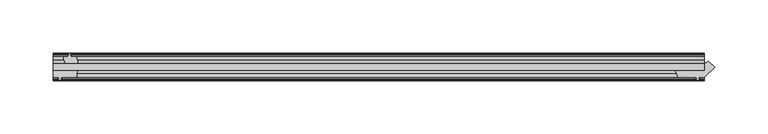
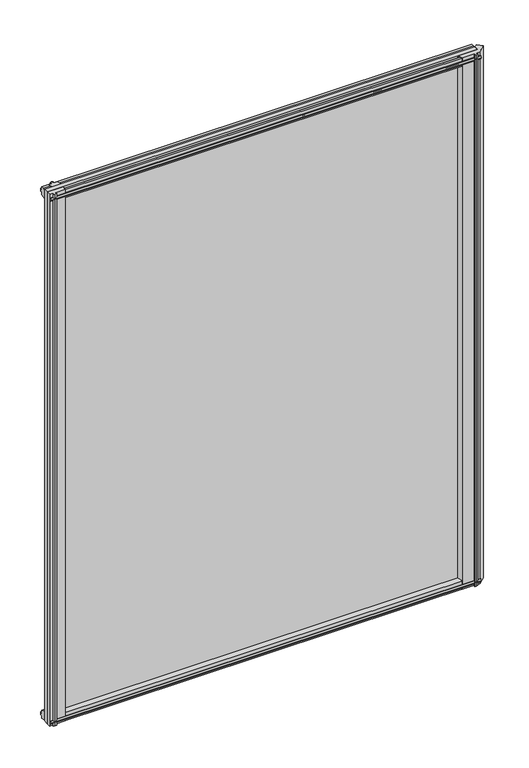
"""IFC4 building model written with IfcOpenShell, lengths in millimetres: plate geometry."""

from ifc_helpers import new_model, si_unit, point, frame, frame_2d, origin, place, context, project, spatial, polyline, circle_curve, trimmed, segment, composite_curve, outline, extrude, source, transform, mapped, element, save


def plate_f19c2fef(model_context):
    return source(origin(), model_context, "Body", "SweptSolid", [
        extrude(outline(polyline([(-311.15, -19.5460937), (301.7242188, -19.5460937), (301.7242188, -25.8960937), (-311.15, -25.8960937), (-311.15, -19.5460937)])), frame((0.0, 0.0, -12.7), z_axis=(0.0, 0.0, 1.0), x_axis=(1.0, 0.0, 0.0)), (0.0, 0.0, 1.0), 800.1),
        extrude(outline(composite_curve([segment(trimmed(circle_curve(frame_2d((299.1576023, -10.7286961)), 9.1800971), [point((301.7125348, -19.5460938))], [point((305.6489112, -17.2200049))], True, "CARTESIAN"), True, "CONTINUOUS"), segment(polyline([(305.6489112, -17.2200049), (311.6947439, -23.2658376), (301.7125348, -32.2460938), (296.6325348, -32.2460938), (296.3150348, -34.3506957), (297.5336406, -34.0241712), (297.7374348, -34.7847412), (295.3625348, -35.4210938), (292.9876348, -34.7847412), (293.1914289, -34.0241712), (294.4100348, -34.3506957), (294.0925348, -32.2460938), (276.6935348, -32.2460937)]), True, "CONTINUOUS"), segment(trimmed(circle_curve(frame_2d((268.8651173, -32.4967335)), 7.8324288), [point((276.6935348, -32.2460937))], [point((273.0815726, -25.8960938))], True, "CARTESIAN"), True, "CONTINUOUS"), segment(polyline([(273.0815726, -25.8960938), (301.7125348, -25.8960938), (301.7125348, -19.5460938)]), True, "CONTINUOUS")], self_intersect=False)), frame((0.0, 0.0, -12.7), z_axis=(0.0, 0.0, 1.0), x_axis=(1.0, 0.0, 0.0)), (0.0, 0.0, 1.0), 800.1),
        extrude(outline(composite_curve([segment(polyline([(-311.1542854, -32.2460937), (-311.1542854, -25.8960937), (-287.8322351, -25.8960937)]), True, "CONTINUOUS"), segment(trimmed(circle_curve(frame_2d((-280.043449, -30.5054843)), 9.0505066), [point((-287.8322351, -25.8960937))], [point((-288.925, -32.2460937))], True, "CARTESIAN"), True, "CONTINUOUS"), segment(polyline([(-288.925, -32.2460937), (-303.5342854, -32.2460937), (-303.8517854, -34.3506957), (-302.6331795, -34.0241712), (-302.4293854, -34.7847412), (-304.8042854, -35.4210937), (-307.1791854, -34.7847412), (-306.9753913, -34.0241712), (-305.7567854, -34.3506957), (-306.0742854, -32.2460937), (-311.1542854, -32.2460937)]), True, "CONTINUOUS")], self_intersect=False)), frame((0.0, 0.0, -12.7), z_axis=(0.0, 0.0, 1.0), x_axis=(1.0, 0.0, 0.0)), (0.0, 0.0, 1.0), 800.1),
        extrude(outline(polyline([(-296.5577, -10.8158968), (-297.973229, -11.27583), (-297.973229, -10.4746158), (-295.7957, -9.7670937), (-293.6181709, -10.4746158), (-293.6181709, -11.27583), (-295.0337, -10.8158968), (-294.6527, -13.1960937), (-289.4457, -13.1960937), (-287.3404229, -19.5460937), (-299.1710038, -19.5460937), (-301.3837, -16.1424937), (-301.3837, -13.1960937), (-296.9387, -13.1960937), (-296.5577, -10.8158968)])), frame((0.0, 0.0, -12.7), z_axis=(0.0, 0.0, 1.0), x_axis=(1.0, 0.0, 0.0)), (0.0, 0.0, 1.0), 800.1),
        extrude(outline(polyline([(-13.1960937, 787.1587), (-13.1960937, 782.7137), (-10.8158968, 782.3327), (-11.27583, 783.7482291), (-10.4746158, 783.7482291), (-9.7670937, 781.5707), (-10.4746158, 779.393171), (-11.27583, 779.393171), (-10.8158968, 780.8087), (-13.1960937, 780.4277), (-13.1960937, 775.2207), (-19.5460937, 773.115423), (-19.5460937, 784.9460038), (-16.1424937, 787.1587), (-13.1960937, 787.1587)])), frame((-311.15, 0.0, 0.0), z_axis=(1.0, 0.0, 0.0), x_axis=(0.0, 1.0, 0.0)), (0.0, 0.0, 1.0), 612.8742188),
        extrude(outline(polyline([(-29.2996937, 786.638), (-25.8960937, 784.4253038), (-25.8960937, 772.594723), (-32.2460937, 774.7), (-32.2460937, 779.907), (-34.6262907, 780.288), (-34.1663575, 778.872471), (-34.9675717, 778.872471), (-35.6750937, 781.05), (-34.9675717, 783.2275291), (-34.1663575, 783.2275291), (-34.6262907, 781.812), (-32.2460937, 782.193), (-32.2460937, 786.638), (-29.2996937, 786.638)])), frame((-311.15, 0.0, 0.0), z_axis=(1.0, 0.0, 0.0), x_axis=(0.0, 1.0, 0.0)), (0.0, 0.0, 1.0), 612.8742188),
        extrude(outline(polyline([(-25.8960937, 2.1052771), (-25.8960937, -9.7253038), (-29.2996937, -11.938), (-32.2460937, -11.938), (-32.2460937, -7.493), (-34.6262907, -7.112), (-34.1663575, -8.5275291), (-34.9675717, -8.5275291), (-35.6750937, -6.35), (-34.9675717, -4.1724709), (-34.1663575, -4.1724709), (-34.6262907, -5.588), (-32.2460937, -5.207), (-32.2460937, 0.0), (-25.8960937, 2.1052771)])), frame((-311.15, 0.0, 0.0), z_axis=(1.0, 0.0, 0.0), x_axis=(0.0, 1.0, 0.0)), (0.0, 0.0, 1.0), 612.8742188),
        extrude(outline(polyline([(-19.5460937, 1.5845771), (-13.1960937, -0.5207), (-13.1960937, -5.7277), (-10.8158968, -6.1087), (-11.27583, -4.6931709), (-10.4746158, -4.6931709), (-9.7670937, -6.8707), (-10.4746158, -9.048229), (-11.27583, -9.048229), (-10.8158968, -7.6327), (-13.1960937, -8.0137), (-13.1960937, -12.4587), (-16.1424937, -12.4587), (-19.5460937, -10.2460038), (-19.5460937, 1.5845771)])), frame((-311.15, 0.0, 0.0), z_axis=(1.0, 0.0, 0.0), x_axis=(0.0, 1.0, 0.0)), (0.0, 0.0, 1.0), 612.8742188),
    ])


if __name__ == "__main__":
    model = new_model("IFC4")
    model_context = context("Model", 3, world=origin())
    ifc_project = project(units=[si_unit("LENGTHUNIT", "METRE", prefix="MILLI")], contexts=[model_context])
    site = spatial("IfcSite", under=ifc_project)
    building = spatial("IfcBuilding", under=site)
    placement = place(None, origin())
    plate_shape = plate_f19c2fef(model_context)
    element("IfcPlate", 1, at=placement, inside=building, context=model_context, shape_type="MappedRepresentation", body=[
        mapped(plate_shape, transform((0.0, 0.0, 0.0), x_axis=(1.0, 0.0, 0.0), y_axis=(0.0, 1.0, 0.0), z_axis=(0.0, 0.0, 1.0))),
    ])
    save(model, "model.ifc")
